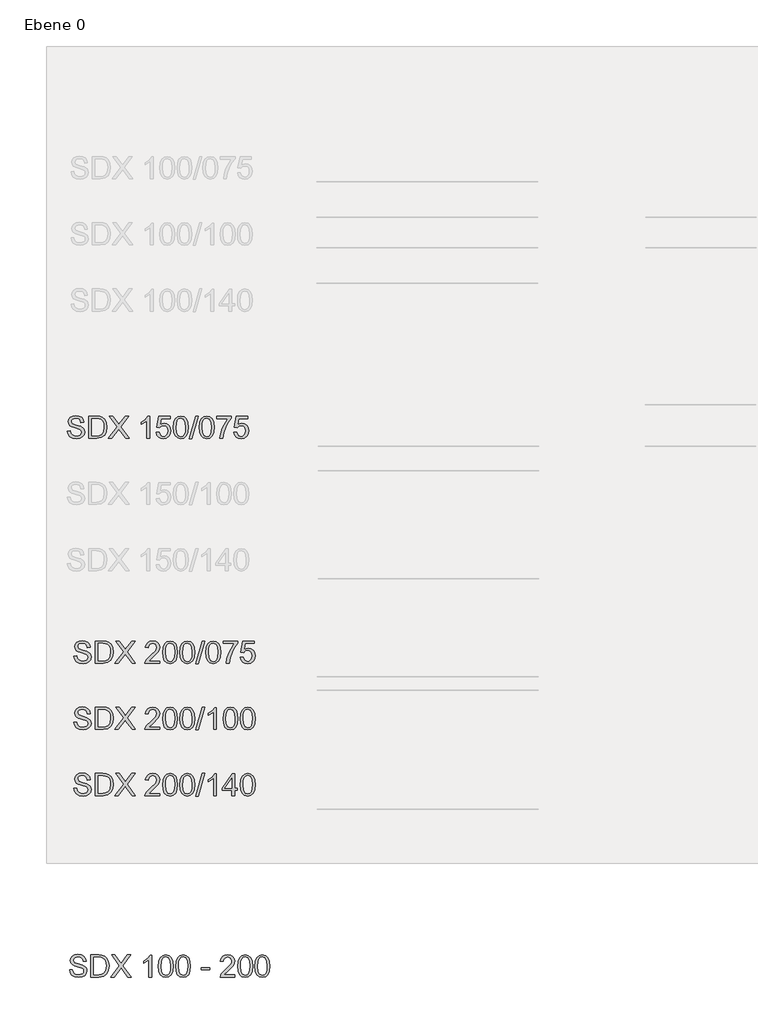
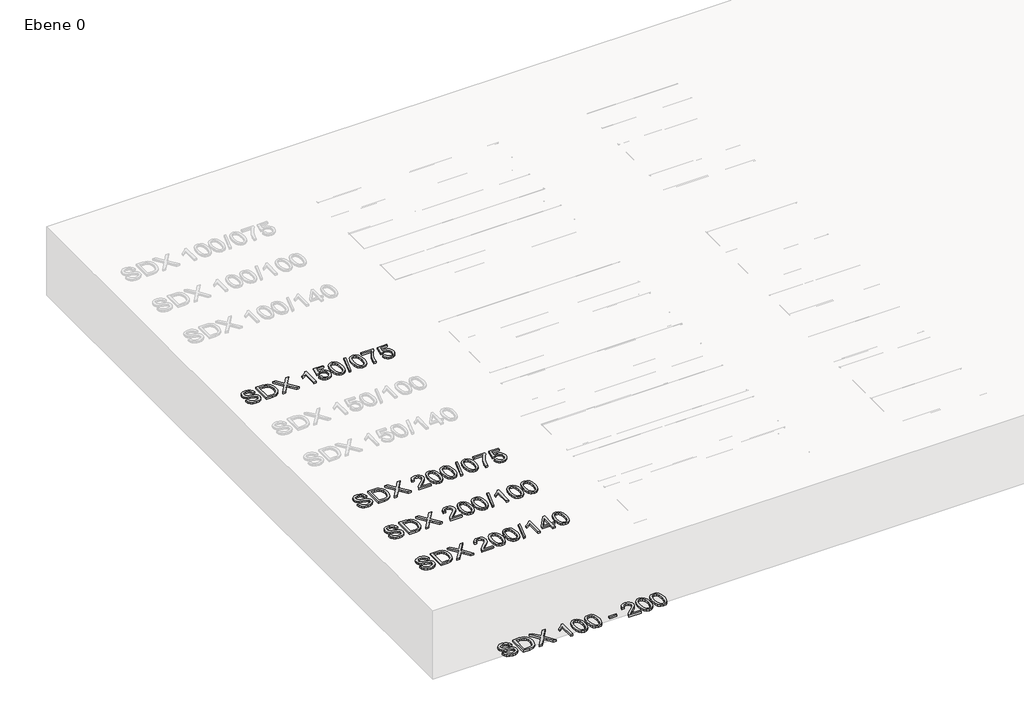
# One storey, part 2 of 8: 5 proxies.
"""IFC4 building model written with IfcOpenShell, lengths in millimetres."""

import ifcopenshell
import ifcopenshell.guid

model = None  # the IFC model being written
_history = None  # IfcOwnerHistory: only IFC2X3 demands one
_inside = {}  # id of a spatial element -> (the spatial element, [elements in it])
_under = {}  # id of a project, library or spatial element -> (it, [spatial elements below it])
_declared = {}  # id of a project -> (the project, [libraries it declares])
_typed = {}  # id of a type object -> (the type object, [elements of that type])
_made_of = {}  # id of a material, layer set ... -> (it, [elements and type objects made of it])


def new_model(schema):
    """Start an empty IFC model of exactly this schema.

    Asked for "IFC4X3", IfcOpenShell would pick the latest addendum, in which some entities
    have other attributes; the version numbers below select the first issue.
    IFC2X3 requires an IfcOwnerHistory on every rooted entity: one is made here for all.
    """
    global model, _history
    if schema == "IFC4X3":
        model = ifcopenshell.file(schema_version=(4, 3, 0, 0))
    else:
        model = ifcopenshell.file(schema=schema)
    _inside.clear()
    _under.clear()
    _declared.clear()
    _typed.clear()
    _made_of.clear()
    _history = None
    if model.schema == "IFC2X3":
        org = make("IfcOrganization", Name="unknown")
        user = make(
            "IfcPersonAndOrganization",
            ThePerson=make("IfcPerson", FamilyName="unknown"),
            TheOrganization=org,
        )
        app = make(
            "IfcApplication",
            ApplicationDeveloper=org,
            Version="unknown",
            ApplicationFullName="unknown",
            ApplicationIdentifier="unknown",
        )
        _history = make(
            "IfcOwnerHistory",
            OwningUser=user,
            OwningApplication=app,
            ChangeAction="ADDED",
            CreationDate=0,
        )
    return model


def make(cls, **values):
    """One entity of the class cls with the attributes given. An attribute that is None is left unset."""
    return model.create_entity(
        cls, **{name: value for name, value in values.items() if value is not None}
    )


def rooted(cls, **values):
    """An entity with a GlobalId (a new one), such as an element, a storey or a relation."""
    return make(cls, GlobalId=ifcopenshell.guid.new(), OwnerHistory=_history, **values)


def si_unit(unit_type, name, prefix=None):
    """IfcSIUnit, for example si_unit("LENGTHUNIT", "METRE", prefix="MILLI")."""
    return make("IfcSIUnit", UnitType=unit_type, Prefix=prefix, Name=name)


def assignment(units):
    """IfcUnitAssignment: the units of a project."""
    return None if units is None else make("IfcUnitAssignment", Units=units)


def point(xyz):
    """IfcCartesianPoint."""
    return None if xyz is None else make("IfcCartesianPoint", Coordinates=xyz)


def direction(xyz):
    """IfcDirection."""
    return None if xyz is None else make("IfcDirection", DirectionRatios=xyz)


def frame(location, z_axis=None, x_axis=None):
    """IfcAxis2Placement3D, a coordinate frame: its origin and axes. An axis left out is left unset."""
    return make(
        "IfcAxis2Placement3D",
        Location=point(location),
        Axis=direction(z_axis),
        RefDirection=direction(x_axis),
    )


def origin():
    """The frame at (0, 0, 0) with its axes left unset."""
    return frame((0.0, 0.0, 0.0))


def origin_with_axes():
    """The frame at (0, 0, 0) with the z axis (0, 0, 1) and the x axis (1, 0, 0) written out."""
    return frame((0.0, 0.0, 0.0), z_axis=(0.0, 0.0, 1.0), x_axis=(1.0, 0.0, 0.0))


def place(relative_to, where):
    """IfcLocalPlacement: puts the frame where relative to a parent placement (None: the world)."""
    return make(
        "IfcLocalPlacement", PlacementRelTo=relative_to, RelativePlacement=where
    )


def context(
    kind, dimensions, precision=None, world=None, true_north=None, identifier=None
):
    """IfcGeometricRepresentationContext, for example the 3D "Model" context."""
    return make(
        "IfcGeometricRepresentationContext",
        ContextIdentifier=identifier,
        ContextType=kind,
        CoordinateSpaceDimension=dimensions,
        Precision=precision,
        WorldCoordinateSystem=world,
        TrueNorth=true_north,
    )


def project(units=None, contexts=None):
    """IfcProject with its units and contexts."""
    return rooted(
        "IfcProject",
        Name="project",
        RepresentationContexts=contexts,
        UnitsInContext=assignment(units),
    )


def spatial(cls, under=None, at=None, **own):
    """A site, building, storey or space (cls), placed at a placement, below another one or the project."""
    s = rooted(cls, ObjectPlacement=at, **own)
    if under is not None:
        _under.setdefault(under.id(), (under, []))[1].append(s)
    return s


def polyline(points):
    """IfcPolyline through the points."""
    return make("IfcPolyline", Points=[point(p) for p in points])


def outline(outer, holes=None, kind="AREA"):
    """IfcArbitraryClosedProfileDef: a profile drawn as a closed curve; with holes, ...WithVoids."""
    if holes is None:
        return make("IfcArbitraryClosedProfileDef", ProfileType=kind, OuterCurve=outer)
    return make(
        "IfcArbitraryProfileDefWithVoids",
        ProfileType=kind,
        OuterCurve=outer,
        InnerCurves=holes,
    )


def extrude(swept, where, along, depth):
    """IfcExtrudedAreaSolid: the profile swept, set in the frame where, extruded along a direction by depth."""
    return make(
        "IfcExtrudedAreaSolid",
        SweptArea=swept,
        Position=where,
        ExtrudedDirection=direction(along),
        Depth=depth,
    )


def shape(context_of_items, identifier, shape_type, items):
    """IfcShapeRepresentation: the items that make up one representation, for example the "Body"."""
    return make(
        "IfcShapeRepresentation",
        ContextOfItems=context_of_items,
        RepresentationIdentifier=identifier,
        RepresentationType=shape_type,
        Items=items,
    )


def made_of(thing, what):
    """Note that an element or type object is made of a material, layer set ...; save() writes the relation."""
    if what is not None:
        _made_of.setdefault(what.id(), (what, []))[1].append(thing)
    return thing


def element(
    cls,
    number,
    at=None,
    inside=None,
    cuts=None,
    type_object=None,
    material=None,
    context=None,
    identifier="Body",
    shape_type=None,
    held_by="IfcProductDefinitionShape",
    body=None,
    shapes=None,
    **own,
):
    """One element of the class cls, such as IfcWall. Its Tag is "e" and its number.

    at: its placement. inside: the storey or other place that contains it. cuts: it is an
    opening in that element (IfcRelVoidsElement). A single representation is given by context,
    identifier, shape_type and body (its items); several are given by shapes. held_by: the class
    of the entity that holds the representations. save() writes the other relations.
    """
    e = rooted(cls, Tag="e%d" % number, ObjectPlacement=at, **own)
    if body is not None:
        shapes = [shape(context, identifier, shape_type, body)]
    if shapes is not None:
        e.Representation = make(held_by, Representations=shapes)
    if inside is not None:
        _inside.setdefault(inside.id(), (inside, []))[1].append(e)
    if cuts is not None:
        rooted(
            "IfcRelVoidsElement", RelatingBuildingElement=cuts, RelatedOpeningElement=e
        )
    if type_object is not None:
        _typed.setdefault(type_object.id(), (type_object, []))[1].append(e)
    return made_of(e, material)


def aggregate(whole, parts):
    """IfcRelAggregates: a whole, such as a stair, and the parts it consists of."""
    return rooted("IfcRelAggregates", RelatingObject=whole, RelatedObjects=parts)


def save(model, path):
    """Write the relations noted so far, then the file.

    IfcRelAggregates (storeys below a building ...), IfcRelContainedInSpatialStructure (elements
    in a storey), IfcRelDefinesByType, IfcRelAssociatesMaterial and IfcRelDeclares: one each for
    every whole, place, type object, material and project.
    """
    for whole, parts in _under.values():
        aggregate(whole, parts)
    for where, things in _inside.values():
        rooted(
            "IfcRelContainedInSpatialStructure",
            RelatedElements=things,
            RelatingStructure=where,
        )
    for kind, things in _typed.values():
        rooted("IfcRelDefinesByType", RelatedObjects=things, RelatingType=kind)
    for what, things in _made_of.values():
        rooted("IfcRelAssociatesMaterial", RelatedObjects=things, RelatingMaterial=what)
    for by, libraries in _declared.values():
        rooted("IfcRelDeclares", RelatingContext=by, RelatedDefinitions=libraries)
    model.write(path)


model = new_model("IFC4")

# Units and contexts
model_context = context("Model", 3, world=origin())
ifc_project = project(units=[si_unit("LENGTHUNIT", "METRE", prefix="MILLI")], contexts=[model_context])

# Site, building, storey
site = spatial("IfcSite", under=ifc_project)
building = spatial("IfcBuilding", under=site)
storey = spatial("IfcBuildingStorey", under=building, Name="Ebene 0", Elevation=0.0)

# Proxies
placement = place(None, origin())
element("IfcBuildingElementProxy", 1, Name="100mm ACO", ObjectType="100mm ACO", at=placement, inside=storey, context=model_context, shape_type="SweptSolid", body=[
    extrude(outline(polyline([(1615.4975214, 503.7064079), (1613.474772, 512.6523443), (1608.9781566, 519.0589299), (1602.007675, 522.9116126), (1592.5633274, 524.1958401), (1576.8470016, 520.1939979), (1572.3067297, 515.279008), (1570.7933057, 508.5377229), (1575.2899211, 498.4239762), (1593.5819781, 492.0937894), (1613.5329807, 486.5785232), (1626.7608882, 477.5998445), (1630.8864238, 470.4765653), (1632.2616023, 461.2723282), (1629.7404417, 449.3650285), (1622.1769599, 439.6623802), (1610.5607033, 433.2121381), (1595.8812184, 431.0620574), (1577.7928915, 433.4486106), (1564.9142356, 440.6082701), (1557.0560727, 451.5660418), (1554.0292248, 465.3469312), (1567.0679544, 466.4528948), (1569.7128083, 455.5133134), (1575.9593202, 448.0153163), (1584.847048, 443.6824126), (1595.4155495, 442.2381113), (1612.6452993, 446.9966655), (1617.5784793, 452.6028827), (1619.2228727, 459.9044257), (1617.5239088, 467.2750915), (1612.427017, 472.3319649), (1589.0126019, 479.8263239), (1574.7187491, 484.19197), (1565.0743093, 490.1001443), (1559.5845094, 497.7727673), (1557.7545761, 507.4317592), (1560.0501783, 518.4913959), (1566.936985, 527.4555225), (1577.7819774, 533.3928012), (1591.9521369, 535.371894), (1606.5988795, 533.378249), (1618.0587004, 527.3973139), (1625.6112681, 517.7492361), (1628.536251, 504.754163), (1615.4975214, 503.7064079)])), origin_with_axes(), (0.0, 0.0, 1.0), 10.0),
    extrude(outline(polyline([(1650.8883588, 533.5092184), (1685.115024, 533.5092184), (1700.5985153, 532.5778806), (1712.9969501, 528.0521608), (1723.3435313, 518.1421442), (1730.3140129, 503.6336471), (1732.8460876, 483.7699576), (1730.2412521, 463.5169979), (1722.4267456, 447.2295), (1708.2602242, 436.5009248), (1686.5993436, 432.9247331), (1650.8883588, 432.9247331), (1650.8883588, 533.5092184)]), holes=[polyline([(1663.9270884, 444.100787), (1685.3769627, 444.100787), (1697.0914463, 444.9448119), (1707.5544447, 449.499636), (1716.3293933, 461.6652363), (1719.807358, 484.0610006), (1718.4685599, 498.4385283), (1713.549932, 510.6186808), (1705.3279652, 518.6660218), (1696.2765257, 521.7801826), (1684.9695024, 522.3331645), (1663.9270884, 522.3331645), (1663.9270884, 444.100787)])]), origin_with_axes(), (0.0, 0.0, 1.0), 10.0),
    extrude(outline(polyline([(1833.4305729, 432.9247331), (1817.7142471, 432.9247331), (1796.671833, 461.6215799), (1787.5621849, 474.427475), (1756.1877419, 432.9247331), (1740.2967902, 432.9247331), (1779.4711876, 485.13786), (1744.0221415, 533.5092184), (1759.7384673, 533.5092184), (1782.1487838, 502.9205916), (1787.3875591, 495.7318278), (1815.7060499, 533.5092184), (1831.5678973, 533.5092184), (1795.245722, 485.0505471), (1833.4305729, 432.9247331)])), origin_with_axes(), (0.0, 0.0, 1.0), 10.0),
    extrude(outline(polyline([(1926.5643556, 432.9247331), (1913.525626, 432.9247331), (1913.525626, 511.1571105), (1889.3108425, 496.2557053), (1889.3108425, 505.5690836), (1907.6902125, 517.3563279), (1919.113653, 531.6465427), (1926.5643556, 531.6465427), (1926.5643556, 432.9247331)])), origin_with_axes(), (0.0, 0.0, 1.0), 10.0),
    extrude(outline(polyline([(1989.8662235, 533.5092184), (2004.5475274, 530.3041066), (2015.0341731, 520.6887711), (2021.3261605, 504.663212), (2023.4234896, 482.2274293), (2021.2552187, 459.6242968), (2014.7504061, 443.6787745), (2004.1928187, 434.2162367), (1989.8662235, 431.0620574), (1975.2103859, 434.2598931), (1964.7419304, 443.8534004), (1958.4608572, 459.8425791), (1956.3671661, 482.2274293), (1958.535437, 504.8269237), (1965.0402496, 520.8197405), (1975.5832848, 530.3368489), (1989.8662235, 533.5092184)]), holes=[polyline([(1989.8953278, 440.3754357), (1998.7866937, 442.8238355), (2005.2041934, 450.169035), (2009.0896184, 463.0804332), (2010.38476, 482.2274293), (2008.1146241, 506.5877343), (2001.2605598, 519.830194), (1989.7498063, 524.1958401), (1980.8766307, 521.7037838), (1974.5137015, 514.2276149), (1970.6828471, 501.2434559), (1969.4058957, 482.2274293), (1971.7196881, 458.0271979), (1978.5737524, 444.7410817), (1989.8953278, 440.3754357)])]), origin_with_axes(), (0.0, 0.0, 1.0), 10.0),
    extrude(outline(polyline([(2068.098601, 533.5092184), (2082.7799049, 530.3041066), (2093.2665506, 520.6887711), (2099.558538, 504.663212), (2101.6558671, 482.2274293), (2099.4875962, 459.6242968), (2092.9827836, 443.6787745), (2082.4251962, 434.2162367), (2068.098601, 431.0620574), (2053.4427634, 434.2598931), (2042.9743079, 443.8534004), (2036.6932346, 459.8425791), (2034.5995435, 482.2274293), (2036.7678144, 504.8269237), (2043.2726271, 520.8197405), (2053.8156623, 530.3368489), (2068.098601, 533.5092184)]), holes=[polyline([(2068.1277053, 440.3754357), (2077.0190711, 442.8238355), (2083.4365708, 450.169035), (2087.3219958, 463.0804332), (2088.6171375, 482.2274293), (2086.3470016, 506.5877343), (2079.4929372, 519.830194), (2067.9821838, 524.1958401), (2059.1090082, 521.7037838), (2052.746079, 514.2276149), (2048.9152246, 501.2434559), (2047.6382731, 482.2274293), (2049.9520655, 458.0271979), (2056.8061299, 444.7410817), (2068.1277053, 440.3754357)])]), origin_with_axes(), (0.0, 0.0, 1.0), 10.0),
    extrude(outline(polyline([(2189.2016228, 466.4528948), (2150.0854341, 466.4528948), (2150.0854341, 475.7662731), (2189.2016228, 475.7662731), (2189.2016228, 466.4528948)])), origin_with_axes(), (0.0, 0.0, 1.0), 10.0),
    extrude(outline(polyline([(2302.8248377, 432.9247331), (2235.7685142, 432.9247331), (2241.7640014, 448.6119546), (2263.9123791, 470.352872), (2281.7824237, 487.7863519), (2287.785187, 496.8668957), (2289.7861082, 506.0056482), (2284.3290506, 519.0443778), (2270.5481612, 524.1958401), (2256.4325722, 519.0589299), (2252.1396869, 512.6523443), (2250.6699194, 503.7064079), (2237.6311898, 505.1034147), (2240.7890072, 517.2762911), (2247.8759059, 526.2040373), (2258.1497263, 531.6829231), (2270.8683085, 533.5092184), (2284.3035843, 531.4100702), (2294.3991408, 525.1126258), (2300.7184135, 515.846542), (2302.8248377, 504.8414759), (2301.0640272, 494.8805268), (2295.7815954, 484.7886083), (2268.1907123, 457.1104123), (2252.5325951, 442.2381113), (2302.8248377, 442.2381113), (2302.8248377, 432.9247331)])), origin_with_axes(), (0.0, 0.0, 1.0), 10.0),
    extrude(outline(polyline([(2349.3626248, 533.5092184), (2364.0439287, 530.3041066), (2374.5305743, 520.6887711), (2380.8225617, 504.663212), (2382.9198909, 482.2274293), (2380.75162, 459.6242968), (2374.2468073, 443.6787745), (2363.6892199, 434.2162367), (2349.3626248, 431.0620574), (2334.7067871, 434.2598931), (2324.2383317, 443.8534004), (2317.9572584, 459.8425791), (2315.8635673, 482.2274293), (2318.0318382, 504.8269237), (2324.5366508, 520.8197405), (2335.0796861, 530.3368489), (2349.3626248, 533.5092184)]), holes=[polyline([(2349.3917291, 440.3754357), (2358.2830949, 442.8238355), (2364.7005946, 450.169035), (2368.5860196, 463.0804332), (2369.8811613, 482.2274293), (2367.6110253, 506.5877343), (2360.756961, 519.830194), (2349.2462075, 524.1958401), (2340.3730319, 521.7037838), (2334.0101028, 514.2276149), (2330.1792484, 501.2434559), (2328.9022969, 482.2274293), (2331.2160893, 458.0271979), (2338.0701536, 444.7410817), (2349.3917291, 440.3754357)])]), origin_with_axes(), (0.0, 0.0, 1.0), 10.0),
    extrude(outline(polyline([(2427.5950022, 533.5092184), (2442.2763062, 530.3041066), (2452.7629518, 520.6887711), (2459.0549392, 504.663212), (2461.1522683, 482.2274293), (2458.9839974, 459.6242968), (2452.4791848, 443.6787745), (2441.9215974, 434.2162367), (2427.5950022, 431.0620574), (2412.9391646, 434.2598931), (2402.4707091, 443.8534004), (2396.1896359, 459.8425791), (2394.0959448, 482.2274293), (2396.2642157, 504.8269237), (2402.7690283, 520.8197405), (2413.3120635, 530.3368489), (2427.5950022, 533.5092184)]), holes=[polyline([(2427.6241066, 440.3754357), (2436.5154724, 442.8238355), (2442.9329721, 450.169035), (2446.8183971, 463.0804332), (2448.1135387, 482.2274293), (2445.8434028, 506.5877343), (2438.9893385, 519.830194), (2427.478585, 524.1958401), (2418.6054094, 521.7037838), (2412.2424803, 514.2276149), (2408.4116258, 501.2434559), (2407.1346744, 482.2274293), (2409.4484668, 458.0271979), (2416.3025311, 444.7410817), (2427.6241066, 440.3754357)])]), origin_with_axes(), (0.0, 0.0, 1.0), 10.0),
])
element("IfcBuildingElementProxy", 2, Name="100mm ACO", ObjectType="100mm ACO", at=placement, inside=storey, context=model_context, shape_type="SweptSolid", body=[
    extrude(outline(polyline([(1605.5146668, 2944.899005), (1603.4919175, 2953.8449414), (1598.995302, 2960.251527), (1592.0248205, 2964.1042096), (1582.5804728, 2965.3884372), (1566.864147, 2961.3865949), (1562.3238751, 2956.4716051), (1560.8104511, 2949.73032), (1565.3070666, 2939.6165732), (1583.5991236, 2933.2863864), (1603.5501261, 2927.7711203), (1616.7780337, 2918.7924415), (1620.9035692, 2911.6691624), (1622.2787477, 2902.4649252), (1619.7575871, 2890.5576256), (1612.1941053, 2880.8549772), (1600.5778487, 2874.4047352), (1585.8983638, 2872.2546545), (1567.810037, 2874.6412077), (1554.9313811, 2881.8008672), (1547.0732182, 2892.7586388), (1544.0463702, 2906.5395282), (1557.0850998, 2907.6454919), (1559.7299537, 2896.7059105), (1565.9764656, 2889.2079134), (1574.8641934, 2884.8750096), (1585.4326949, 2883.4307084), (1602.6624447, 2888.1892626), (1607.5956248, 2893.7954798), (1609.2400181, 2901.0970228), (1607.5410542, 2908.4676886), (1602.4441624, 2913.5245619), (1579.0297474, 2921.018921), (1564.7358945, 2925.3845671), (1555.0914548, 2931.2927414), (1549.6016548, 2938.9653644), (1547.7717215, 2948.6243563), (1550.0673238, 2959.683993), (1556.9541304, 2968.6481196), (1567.7991229, 2974.5853982), (1581.9692824, 2976.5644911), (1596.6160249, 2974.5708461), (1608.0758458, 2968.589911), (1615.6284135, 2958.9418332), (1618.5533964, 2945.94676), (1605.5146668, 2944.899005)])), origin_with_axes(), (0.0, 0.0, 1.0), 10.0),
    extrude(outline(polyline([(1640.9055042, 2974.7018154), (1675.1321694, 2974.7018154), (1690.6156608, 2973.7704776), (1703.0140956, 2969.2447579), (1713.3606768, 2959.3347413), (1720.3311583, 2944.8262442), (1722.863233, 2924.9625546), (1720.2583975, 2904.7095949), (1712.4438911, 2888.4220971), (1698.2773696, 2877.6935219), (1676.616489, 2874.1173301), (1640.9055042, 2874.1173301), (1640.9055042, 2974.7018154)]), holes=[polyline([(1653.9442338, 2885.293384), (1675.3941081, 2885.293384), (1687.1085918, 2886.137409), (1697.5715902, 2890.692233), (1706.3465387, 2902.8578334), (1709.8245034, 2925.2535977), (1708.4857053, 2939.6311254), (1703.5670774, 2951.8112779), (1695.3451107, 2959.8586188), (1686.2936712, 2962.9727797), (1674.9866478, 2963.5257615), (1653.9442338, 2963.5257615), (1653.9442338, 2885.293384)])]), origin_with_axes(), (0.0, 0.0, 1.0), 10.0),
    extrude(outline(polyline([(1823.4477183, 2874.1173301), (1807.7313925, 2874.1173301), (1786.6889785, 2902.8141769), (1777.5793304, 2915.620072), (1746.2048873, 2874.1173301), (1730.3139356, 2874.1173301), (1769.488333, 2926.3304571), (1734.0392869, 2974.7018154), (1749.7556128, 2974.7018154), (1772.1659292, 2944.1131887), (1777.4047045, 2936.9244248), (1805.7231953, 2974.7018154), (1821.5850427, 2974.7018154), (1785.2628674, 2926.2431441), (1823.4477183, 2874.1173301)])), origin_with_axes(), (0.0, 0.0, 1.0), 10.0),
    extrude(outline(polyline([(1916.581501, 2874.1173301), (1903.5427715, 2874.1173301), (1903.5427715, 2952.3497076), (1879.327988, 2937.4483024), (1879.327988, 2946.7616806), (1897.7073579, 2958.548925), (1909.1307984, 2972.8391398), (1916.581501, 2972.8391398), (1916.581501, 2874.1173301)])), origin_with_axes(), (0.0, 0.0, 1.0), 10.0),
    extrude(outline(polyline([(1963.963313, 2936.6042775), (1982.7355911, 2941.1736537), (1994.2863629, 2938.9362601), (2004.2582262, 2932.2240792), (2011.1450328, 2921.7865471), (2013.4406351, 2908.3730996), (2011.0577199, 2894.4539647), (2003.9089745, 2882.7904136), (1992.8966323, 2874.8885943), (1978.9229268, 2872.2546545), (1967.1138542, 2874.0736737), (1957.0073836, 2879.5307312), (1949.7240307, 2888.5530664), (1946.3843115, 2901.0679185), (1959.4230411, 2902.0574649), (1966.2334489, 2886.6467343), (1979.0684484, 2881.5680327), (1987.6833233, 2883.4525366), (1994.4937311, 2889.1060483), (1998.9248619, 2897.517193), (2000.4019055, 2907.6745962), (1998.9212239, 2917.70103), (1994.479179, 2925.3700149), (1987.7087895, 2930.2377103), (1979.2430742, 2931.8602754), (1968.8455605, 2929.4955504), (1961.1692995, 2922.4013756), (1948.2469872, 2923.9147996), (1957.99693, 2972.8391398), (2009.7152837, 2972.8391398), (2009.7152837, 2963.5257615), (1969.3476098, 2963.5257615), (1963.963313, 2936.6042775)])), origin_with_axes(), (0.0, 0.0, 1.0), 10.0),
    extrude(outline(polyline([(2058.1157464, 2974.7018154), (2072.7970504, 2971.4967036), (2083.283696, 2961.8813682), (2089.5756834, 2945.8558091), (2091.6730125, 2923.4200263), (2089.5047416, 2900.8168938), (2082.999929, 2884.8713716), (2072.4423416, 2875.4088338), (2058.1157464, 2872.2546545), (2043.4599088, 2875.4524902), (2032.9914533, 2885.0459974), (2026.7103801, 2901.0351761), (2024.616689, 2923.4200263), (2026.7849599, 2946.0195208), (2033.2897725, 2962.0123376), (2043.8328077, 2971.529446), (2058.1157464, 2974.7018154)]), holes=[polyline([(2058.1448507, 2881.5680327), (2067.0362166, 2884.0164326), (2073.4537163, 2891.3616321), (2077.3391413, 2904.2730303), (2078.6342829, 2923.4200263), (2076.364147, 2947.7803314), (2069.5100827, 2961.0227911), (2057.9993292, 2965.3884372), (2049.1261536, 2962.8963809), (2042.7632245, 2955.420212), (2038.93237, 2942.436053), (2037.6554186, 2923.4200263), (2039.969211, 2899.219795), (2046.8232753, 2885.9336788), (2058.1448507, 2881.5680327)])]), origin_with_axes(), (0.0, 0.0, 1.0), 10.0),
    extrude(outline(polyline([(2136.3772282, 2974.7018154), (2106.8654608, 2872.2546545), (2097.2610395, 2872.2546545), (2126.7728069, 2974.7018154), (2136.3772282, 2974.7018154)])), origin_with_axes(), (0.0, 0.0, 1.0), 10.0),
    extrude(outline(polyline([(2175.4643126, 2974.7018154), (2190.1456166, 2971.4967036), (2200.6322622, 2961.8813682), (2206.9242496, 2945.8558091), (2209.0215787, 2923.4200263), (2206.8533079, 2900.8168938), (2200.3484952, 2884.8713716), (2189.7909078, 2875.4088338), (2175.4643126, 2872.2546545), (2160.808475, 2875.4524902), (2150.3400195, 2885.0459974), (2144.0589463, 2901.0351761), (2141.9652552, 2923.4200263), (2144.1335261, 2946.0195208), (2150.6383387, 2962.0123376), (2161.1813739, 2971.529446), (2175.4643126, 2974.7018154)]), holes=[polyline([(2175.493417, 2881.5680327), (2184.3847828, 2884.0164326), (2190.8022825, 2891.3616321), (2194.6877075, 2904.2730303), (2195.9828492, 2923.4200263), (2193.7127132, 2947.7803314), (2186.8586489, 2961.0227911), (2175.3478954, 2965.3884372), (2166.4747198, 2962.8963809), (2160.1117907, 2955.420212), (2156.2809362, 2942.436053), (2155.0039848, 2923.4200263), (2157.3177772, 2899.219795), (2164.1718415, 2885.9336788), (2175.493417, 2881.5680327)])]), origin_with_axes(), (0.0, 0.0, 1.0), 10.0),
    extrude(outline(polyline([(2287.2539562, 2965.3884372), (2273.1420053, 2945.7248397), (2261.074632, 2923.289057), (2252.3178736, 2899.0851876), (2248.1377675, 2874.1173301), (2235.0990379, 2874.1173301), (2238.0203827, 2895.4726155), (2245.7948707, 2918.7342329), (2270.9846485, 2963.5257615), (2220.1976327, 2963.5257615), (2220.1976327, 2972.8391398), (2287.2539562, 2972.8391398), (2287.2539562, 2965.3884372)])), origin_with_axes(), (0.0, 0.0, 1.0), 10.0),
    extrude(outline(polyline([(2316.0090116, 2936.6042775), (2334.7812897, 2941.1736537), (2346.3320616, 2938.9362601), (2356.3039248, 2932.2240792), (2363.1907314, 2921.7865471), (2365.4863337, 2908.3730996), (2363.1034185, 2894.4539647), (2355.9546731, 2882.7904136), (2344.9423309, 2874.8885943), (2330.9686255, 2872.2546545), (2319.1595529, 2874.0736737), (2309.0530822, 2879.5307312), (2301.7697294, 2888.5530664), (2298.4300101, 2901.0679185), (2311.4687397, 2902.0574649), (2318.2791476, 2886.6467343), (2331.114147, 2881.5680327), (2339.7290219, 2883.4525366), (2346.5394298, 2889.1060483), (2350.9705605, 2897.517193), (2352.4476041, 2907.6745962), (2350.9669225, 2917.70103), (2346.5248776, 2925.3700149), (2339.7544882, 2930.2377103), (2331.2887728, 2931.8602754), (2320.8912591, 2929.4955504), (2313.2149981, 2922.4013756), (2300.2926858, 2923.9147996), (2310.0426287, 2972.8391398), (2361.7609824, 2972.8391398), (2361.7609824, 2963.5257615), (2321.3933084, 2963.5257615), (2316.0090116, 2936.6042775)])), origin_with_axes(), (0.0, 0.0, 1.0), 10.0),
])
element("IfcBuildingElementProxy", 3, Name="100mm ACO", ObjectType="100mm ACO", at=placement, inside=storey, context=model_context, shape_type="SweptSolid", body=[
    extrude(outline(polyline([(1634.7664344, 1925.6824159), (1632.743685, 1934.6283523), (1628.2470696, 1941.0349379), (1621.276588, 1944.8876206), (1611.8322404, 1946.1718481), (1596.1159146, 1942.1700059), (1591.5756426, 1937.255016), (1590.0622187, 1930.5137309), (1594.5588341, 1920.3999842), (1612.8508911, 1914.0697974), (1632.8018936, 1908.5545312), (1646.0298012, 1899.5758525), (1650.1553368, 1892.4525733), (1651.5305153, 1883.2483362), (1649.0093547, 1871.3410365), (1641.4458729, 1861.6383882), (1629.8296163, 1855.1881461), (1615.1501314, 1853.0380654), (1597.0618045, 1855.4246186), (1584.1831486, 1862.5842781), (1576.3249857, 1873.5420498), (1573.2981378, 1887.3229392), (1586.3368674, 1888.4289028), (1588.9817213, 1877.4893214), (1595.2282332, 1869.9913243), (1604.115961, 1865.6584206), (1614.6844625, 1864.2141193), (1631.9142123, 1868.9726735), (1636.8473923, 1874.5788907), (1638.4917857, 1881.8804337), (1636.7928218, 1889.2510995), (1631.69593, 1894.3079729), (1608.2815149, 1901.8023319), (1593.9876621, 1906.167978), (1584.3432223, 1912.0761524), (1578.8534224, 1919.7487753), (1577.0234891, 1929.4077672), (1579.3190913, 1940.4674039), (1586.205898, 1949.4315305), (1597.0508904, 1955.3688092), (1611.2210499, 1957.347902), (1625.8677925, 1955.354257), (1637.3276134, 1949.3733219), (1644.8801811, 1939.7252441), (1647.805164, 1926.730171), (1634.7664344, 1925.6824159)])), origin_with_axes(), (0.0, 0.0, 1.0), 10.0),
    extrude(outline(polyline([(1670.1572718, 1955.4852264), (1704.3839369, 1955.4852264), (1719.8674283, 1954.5538886), (1732.2658631, 1950.0281688), (1742.6124443, 1940.1181522), (1749.5829259, 1925.6096552), (1752.1150006, 1905.7459656), (1749.5101651, 1885.4930059), (1741.6956586, 1869.205508), (1727.5291372, 1858.4769328), (1705.8682566, 1854.9007411), (1670.1572718, 1854.9007411), (1670.1572718, 1955.4852264)]), holes=[polyline([(1683.1960014, 1866.076795), (1704.6458757, 1866.076795), (1716.3603593, 1866.9208199), (1726.8233577, 1871.475644), (1735.5983063, 1883.6412443), (1739.076271, 1906.0370086), (1737.7374729, 1920.4145363), (1732.818845, 1932.5946889), (1724.5968782, 1940.6420298), (1715.5454387, 1943.7561906), (1704.2384154, 1944.3091725), (1683.1960014, 1944.3091725), (1683.1960014, 1866.076795)])]), origin_with_axes(), (0.0, 0.0, 1.0), 10.0),
    extrude(outline(polyline([(1852.6994859, 1854.9007411), (1836.9831601, 1854.9007411), (1815.940746, 1883.5975879), (1806.8310979, 1896.403483), (1775.4566549, 1854.9007411), (1759.5657032, 1854.9007411), (1798.7401005, 1907.113868), (1763.2910545, 1955.4852264), (1779.0073803, 1955.4852264), (1801.4176968, 1924.8965996), (1806.6564721, 1917.7078358), (1834.9749629, 1955.4852264), (1850.8368102, 1955.4852264), (1814.514635, 1907.0265551), (1852.6994859, 1854.9007411)])), origin_with_axes(), (0.0, 0.0, 1.0), 10.0),
    extrude(outline(polyline([(1962.5973495, 1854.9007411), (1895.5410259, 1854.9007411), (1901.5365132, 1870.5879626), (1923.6848909, 1892.32888), (1941.5549355, 1909.7623599), (1947.5576988, 1918.8429038), (1949.5586199, 1927.9816562), (1944.1015623, 1941.0203858), (1930.3206729, 1946.1718481), (1916.205084, 1941.0349379), (1911.9121987, 1934.6283523), (1910.4424312, 1925.6824159), (1897.4037016, 1927.0794227), (1900.5615189, 1939.2522991), (1907.6484177, 1948.1800453), (1917.9222381, 1953.6589311), (1930.6408203, 1955.4852264), (1944.0760961, 1953.3860782), (1954.1716526, 1947.0886338), (1960.4909253, 1937.82255), (1962.5973495, 1926.8174839), (1960.8365389, 1916.8565348), (1955.5541072, 1906.7646163), (1927.963224, 1879.0864203), (1912.3051068, 1864.2141193), (1962.5973495, 1864.2141193), (1962.5973495, 1854.9007411)])), origin_with_axes(), (0.0, 0.0, 1.0), 10.0),
    extrude(outline(polyline([(2009.1351365, 1955.4852264), (2023.8164404, 1952.2801146), (2034.3030861, 1942.6647791), (2040.5950735, 1926.63922), (2042.6924026, 1904.2034373), (2040.5241317, 1881.6003048), (2034.0193191, 1865.6547825), (2023.4617317, 1856.1922447), (2009.1351365, 1853.0380654), (1994.4792989, 1856.2359012), (1984.0108434, 1865.8294084), (1977.7297702, 1881.8185871), (1975.6360791, 1904.2034373), (1977.8043499, 1926.8029317), (1984.3091626, 1942.7957485), (1994.8521978, 1952.3128569), (2009.1351365, 1955.4852264)]), holes=[polyline([(2009.1642408, 1862.3514437), (2018.0556067, 1864.7998435), (2024.4731064, 1872.145043), (2028.3585314, 1885.0564413), (2029.653673, 1904.2034373), (2027.3835371, 1928.5637423), (2020.5294728, 1941.806202), (2009.0187193, 1946.1718481), (2000.1455437, 1943.6797918), (1993.7826145, 1936.2036229), (1989.9517601, 1923.2194639), (1988.6748086, 1904.2034373), (1990.9886011, 1880.0032059), (1997.8426654, 1866.7170897), (2009.1642408, 1862.3514437)])]), origin_with_axes(), (0.0, 0.0, 1.0), 10.0),
    extrude(outline(polyline([(2087.367514, 1955.4852264), (2102.0488179, 1952.2801146), (2112.5354636, 1942.6647791), (2118.827451, 1926.63922), (2120.9247801, 1904.2034373), (2118.7565092, 1881.6003048), (2112.2516966, 1865.6547825), (2101.6941092, 1856.1922447), (2087.367514, 1853.0380654), (2072.7116764, 1856.2359012), (2062.2432209, 1865.8294084), (2055.9621476, 1881.8185871), (2053.8684565, 1904.2034373), (2056.0367274, 1926.8029317), (2062.5415401, 1942.7957485), (2073.0845753, 1952.3128569), (2087.367514, 1955.4852264)]), holes=[polyline([(2087.3966183, 1862.3514437), (2096.2879841, 1864.7998435), (2102.7054838, 1872.145043), (2106.5909088, 1885.0564413), (2107.8860505, 1904.2034373), (2105.6159146, 1928.5637423), (2098.7618502, 1941.806202), (2087.2510968, 1946.1718481), (2078.3779212, 1943.6797918), (2072.014992, 1936.2036229), (2068.1841376, 1923.2194639), (2066.9071861, 1904.2034373), (2069.2209785, 1880.0032059), (2076.0750429, 1866.7170897), (2087.3966183, 1862.3514437)])]), origin_with_axes(), (0.0, 0.0, 1.0), 10.0),
    extrude(outline(polyline([(2165.6289958, 1955.4852264), (2136.1172284, 1853.0380654), (2126.512807, 1853.0380654), (2156.0245744, 1955.4852264), (2165.6289958, 1955.4852264)])), origin_with_axes(), (0.0, 0.0, 1.0), 10.0),
    extrude(outline(polyline([(2204.7160802, 1955.4852264), (2219.3973841, 1952.2801146), (2229.8840298, 1942.6647791), (2236.1760172, 1926.63922), (2238.2733463, 1904.2034373), (2236.1050754, 1881.6003048), (2229.6002628, 1865.6547825), (2219.0426754, 1856.1922447), (2204.7160802, 1853.0380654), (2190.0602426, 1856.2359012), (2179.5917871, 1865.8294084), (2173.3107138, 1881.8185871), (2171.2170227, 1904.2034373), (2173.3852936, 1926.8029317), (2179.8901063, 1942.7957485), (2190.4331415, 1952.3128569), (2204.7160802, 1955.4852264)]), holes=[polyline([(2204.7451845, 1862.3514437), (2213.6365503, 1864.7998435), (2220.05405, 1872.145043), (2223.939475, 1885.0564413), (2225.2346167, 1904.2034373), (2222.9644808, 1928.5637423), (2216.1104164, 1941.806202), (2204.599663, 1946.1718481), (2195.7264874, 1943.6797918), (2189.3635582, 1936.2036229), (2185.5327038, 1923.2194639), (2184.2557523, 1904.2034373), (2186.5695447, 1880.0032059), (2193.4236091, 1866.7170897), (2204.7451845, 1862.3514437)])]), origin_with_axes(), (0.0, 0.0, 1.0), 10.0),
    extrude(outline(polyline([(2316.5057238, 1946.1718481), (2302.3937729, 1926.5082506), (2290.3263995, 1904.0724679), (2281.5696411, 1879.8685985), (2277.389535, 1854.9007411), (2264.3508054, 1854.9007411), (2267.2721503, 1876.2560264), (2275.0466383, 1899.5176438), (2300.2364161, 1944.3091725), (2249.4494002, 1944.3091725), (2249.4494002, 1953.6225507), (2316.5057238, 1953.6225507), (2316.5057238, 1946.1718481)])), origin_with_axes(), (0.0, 0.0, 1.0), 10.0),
    extrude(outline(polyline([(2345.2607792, 1917.3876884), (2364.0330572, 1921.9570646), (2375.5838291, 1919.719671), (2385.5556923, 1913.0074902), (2392.442499, 1902.569958), (2394.7381012, 1889.1565105), (2392.3551861, 1875.2373756), (2385.2064407, 1863.5738246), (2374.1940985, 1855.6720052), (2360.220393, 1853.0380654), (2348.4113204, 1854.8570846), (2338.3048498, 1860.3141422), (2331.0214969, 1869.3364774), (2327.6817777, 1881.8513294), (2340.7205073, 1882.8408759), (2347.5309151, 1867.4301453), (2360.3659146, 1862.3514437), (2368.9807895, 1864.2359476), (2375.7911973, 1869.8894592), (2380.2223281, 1878.300604), (2381.6993717, 1888.4580071), (2380.21869, 1898.4844409), (2375.7766452, 1906.1534259), (2369.0062557, 1911.0211212), (2360.5405404, 1912.6436863), (2350.1430267, 1910.2789614), (2342.4667657, 1903.1847865), (2329.5444533, 1904.6982105), (2339.2943962, 1953.6225507), (2391.0127499, 1953.6225507), (2391.0127499, 1944.3091725), (2350.645076, 1944.3091725), (2345.2607792, 1917.3876884)])), origin_with_axes(), (0.0, 0.0, 1.0), 10.0),
])
element("IfcBuildingElementProxy", 4, Name="100mm ACO", ObjectType="100mm ACO", at=placement, inside=storey, context=model_context, shape_type="SweptSolid", body=[
    extrude(outline(polyline([(1634.7664344, 1625.6824159), (1632.743685, 1634.6283523), (1628.2470696, 1641.0349379), (1621.276588, 1644.8876206), (1611.8322404, 1646.1718481), (1596.1159146, 1642.1700059), (1591.5756426, 1637.255016), (1590.0622187, 1630.5137309), (1594.5588341, 1620.3999842), (1612.8508911, 1614.0697974), (1632.8018936, 1608.5545312), (1646.0298012, 1599.5758525), (1650.1553368, 1592.4525733), (1651.5305153, 1583.2483362), (1649.0093547, 1571.3410365), (1641.4458729, 1561.6383882), (1629.8296163, 1555.1881461), (1615.1501314, 1553.0380654), (1597.0618045, 1555.4246186), (1584.1831486, 1562.5842781), (1576.3249857, 1573.5420498), (1573.2981378, 1587.3229392), (1586.3368674, 1588.4289028), (1588.9817213, 1577.4893214), (1595.2282332, 1569.9913243), (1604.115961, 1565.6584206), (1614.6844625, 1564.2141193), (1631.9142123, 1568.9726735), (1636.8473923, 1574.5788907), (1638.4917857, 1581.8804337), (1636.7928218, 1589.2510995), (1631.69593, 1594.3079729), (1608.2815149, 1601.8023319), (1593.9876621, 1606.167978), (1584.3432223, 1612.0761524), (1578.8534224, 1619.7487753), (1577.0234891, 1629.4077672), (1579.3190913, 1640.4674039), (1586.205898, 1649.4315305), (1597.0508904, 1655.3688092), (1611.2210499, 1657.347902), (1625.8677925, 1655.354257), (1637.3276134, 1649.3733219), (1644.8801811, 1639.7252441), (1647.805164, 1626.730171), (1634.7664344, 1625.6824159)])), origin_with_axes(), (0.0, 0.0, 1.0), 10.0),
    extrude(outline(polyline([(1670.1572718, 1655.4852264), (1704.3839369, 1655.4852264), (1719.8674283, 1654.5538886), (1732.2658631, 1650.0281688), (1742.6124443, 1640.1181522), (1749.5829259, 1625.6096552), (1752.1150006, 1605.7459656), (1749.5101651, 1585.4930059), (1741.6956586, 1569.205508), (1727.5291372, 1558.4769328), (1705.8682566, 1554.9007411), (1670.1572718, 1554.9007411), (1670.1572718, 1655.4852264)]), holes=[polyline([(1683.1960014, 1566.076795), (1704.6458757, 1566.076795), (1716.3603593, 1566.9208199), (1726.8233577, 1571.475644), (1735.5983063, 1583.6412443), (1739.076271, 1606.0370086), (1737.7374729, 1620.4145363), (1732.818845, 1632.5946889), (1724.5968782, 1640.6420298), (1715.5454387, 1643.7561906), (1704.2384154, 1644.3091725), (1683.1960014, 1644.3091725), (1683.1960014, 1566.076795)])]), origin_with_axes(), (0.0, 0.0, 1.0), 10.0),
    extrude(outline(polyline([(1852.6994859, 1554.9007411), (1836.9831601, 1554.9007411), (1815.940746, 1583.5975879), (1806.8310979, 1596.403483), (1775.4566549, 1554.9007411), (1759.5657032, 1554.9007411), (1798.7401005, 1607.113868), (1763.2910545, 1655.4852264), (1779.0073803, 1655.4852264), (1801.4176968, 1624.8965996), (1806.6564721, 1617.7078358), (1834.9749629, 1655.4852264), (1850.8368102, 1655.4852264), (1814.514635, 1607.0265551), (1852.6994859, 1554.9007411)])), origin_with_axes(), (0.0, 0.0, 1.0), 10.0),
    extrude(outline(polyline([(1962.5973495, 1554.9007411), (1895.5410259, 1554.9007411), (1901.5365132, 1570.5879626), (1923.6848909, 1592.32888), (1941.5549355, 1609.7623599), (1947.5576988, 1618.8429038), (1949.5586199, 1627.9816562), (1944.1015623, 1641.0203858), (1930.3206729, 1646.1718481), (1916.205084, 1641.0349379), (1911.9121987, 1634.6283523), (1910.4424312, 1625.6824159), (1897.4037016, 1627.0794227), (1900.5615189, 1639.2522991), (1907.6484177, 1648.1800453), (1917.9222381, 1653.6589311), (1930.6408203, 1655.4852264), (1944.0760961, 1653.3860782), (1954.1716526, 1647.0886338), (1960.4909253, 1637.82255), (1962.5973495, 1626.8174839), (1960.8365389, 1616.8565348), (1955.5541072, 1606.7646163), (1927.963224, 1579.0864203), (1912.3051068, 1564.2141193), (1962.5973495, 1564.2141193), (1962.5973495, 1554.9007411)])), origin_with_axes(), (0.0, 0.0, 1.0), 10.0),
    extrude(outline(polyline([(2009.1351365, 1655.4852264), (2023.8164404, 1652.2801146), (2034.3030861, 1642.6647791), (2040.5950735, 1626.63922), (2042.6924026, 1604.2034373), (2040.5241317, 1581.6003048), (2034.0193191, 1565.6547825), (2023.4617317, 1556.1922447), (2009.1351365, 1553.0380654), (1994.4792989, 1556.2359012), (1984.0108434, 1565.8294084), (1977.7297702, 1581.8185871), (1975.6360791, 1604.2034373), (1977.8043499, 1626.8029317), (1984.3091626, 1642.7957485), (1994.8521978, 1652.3128569), (2009.1351365, 1655.4852264)]), holes=[polyline([(2009.1642408, 1562.3514437), (2018.0556067, 1564.7998435), (2024.4731064, 1572.145043), (2028.3585314, 1585.0564413), (2029.653673, 1604.2034373), (2027.3835371, 1628.5637423), (2020.5294728, 1641.806202), (2009.0187193, 1646.1718481), (2000.1455437, 1643.6797918), (1993.7826145, 1636.2036229), (1989.9517601, 1623.2194639), (1988.6748086, 1604.2034373), (1990.9886011, 1580.0032059), (1997.8426654, 1566.7170897), (2009.1642408, 1562.3514437)])]), origin_with_axes(), (0.0, 0.0, 1.0), 10.0),
    extrude(outline(polyline([(2087.367514, 1655.4852264), (2102.0488179, 1652.2801146), (2112.5354636, 1642.6647791), (2118.827451, 1626.63922), (2120.9247801, 1604.2034373), (2118.7565092, 1581.6003048), (2112.2516966, 1565.6547825), (2101.6941092, 1556.1922447), (2087.367514, 1553.0380654), (2072.7116764, 1556.2359012), (2062.2432209, 1565.8294084), (2055.9621476, 1581.8185871), (2053.8684565, 1604.2034373), (2056.0367274, 1626.8029317), (2062.5415401, 1642.7957485), (2073.0845753, 1652.3128569), (2087.367514, 1655.4852264)]), holes=[polyline([(2087.3966183, 1562.3514437), (2096.2879841, 1564.7998435), (2102.7054838, 1572.145043), (2106.5909088, 1585.0564413), (2107.8860505, 1604.2034373), (2105.6159146, 1628.5637423), (2098.7618502, 1641.806202), (2087.2510968, 1646.1718481), (2078.3779212, 1643.6797918), (2072.014992, 1636.2036229), (2068.1841376, 1623.2194639), (2066.9071861, 1604.2034373), (2069.2209785, 1580.0032059), (2076.0750429, 1566.7170897), (2087.3966183, 1562.3514437)])]), origin_with_axes(), (0.0, 0.0, 1.0), 10.0),
    extrude(outline(polyline([(2165.6289958, 1655.4852264), (2136.1172284, 1553.0380654), (2126.512807, 1553.0380654), (2156.0245744, 1655.4852264), (2165.6289958, 1655.4852264)])), origin_with_axes(), (0.0, 0.0, 1.0), 10.0),
    extrude(outline(polyline([(2219.6465897, 1554.9007411), (2206.6078602, 1554.9007411), (2206.6078602, 1633.1331185), (2182.3930767, 1618.2317133), (2182.3930767, 1627.5450916), (2200.7724466, 1639.3323359), (2212.1958871, 1653.6225507), (2219.6465897, 1653.6225507), (2219.6465897, 1554.9007411)])), origin_with_axes(), (0.0, 0.0, 1.0), 10.0),
    extrude(outline(polyline([(2282.9484577, 1655.4852264), (2297.6297616, 1652.2801146), (2308.1164072, 1642.6647791), (2314.4083946, 1626.63922), (2316.5057238, 1604.2034373), (2314.3374529, 1581.6003048), (2307.8326402, 1565.6547825), (2297.2750528, 1556.1922447), (2282.9484577, 1553.0380654), (2268.29262, 1556.2359012), (2257.8241646, 1565.8294084), (2251.5430913, 1581.8185871), (2249.4494002, 1604.2034373), (2251.6176711, 1626.8029317), (2258.1224837, 1642.7957485), (2268.665519, 1652.3128569), (2282.9484577, 1655.4852264)]), holes=[polyline([(2282.977562, 1562.3514437), (2291.8689278, 1564.7998435), (2298.2864275, 1572.145043), (2302.1718525, 1585.0564413), (2303.4669942, 1604.2034373), (2301.1968582, 1628.5637423), (2294.3427939, 1641.806202), (2282.8320405, 1646.1718481), (2273.9588648, 1643.6797918), (2267.5959357, 1636.2036229), (2263.7650813, 1623.2194639), (2262.4881298, 1604.2034373), (2264.8019222, 1580.0032059), (2271.6559865, 1566.7170897), (2282.977562, 1562.3514437)])]), origin_with_axes(), (0.0, 0.0, 1.0), 10.0),
    extrude(outline(polyline([(2361.1808352, 1655.4852264), (2375.8621391, 1652.2801146), (2386.3487847, 1642.6647791), (2392.6407721, 1626.63922), (2394.7381012, 1604.2034373), (2392.5698304, 1581.6003048), (2386.0650177, 1565.6547825), (2375.5074303, 1556.1922447), (2361.1808352, 1553.0380654), (2346.5249975, 1556.2359012), (2336.0565421, 1565.8294084), (2329.7754688, 1581.8185871), (2327.6817777, 1604.2034373), (2329.8500486, 1626.8029317), (2336.3548612, 1642.7957485), (2346.8978964, 1652.3128569), (2361.1808352, 1655.4852264)]), holes=[polyline([(2361.2099395, 1562.3514437), (2370.1013053, 1564.7998435), (2376.518805, 1572.145043), (2380.40423, 1585.0564413), (2381.6993717, 1604.2034373), (2379.4292357, 1628.5637423), (2372.5751714, 1641.806202), (2361.0644179, 1646.1718481), (2352.1912423, 1643.6797918), (2345.8283132, 1636.2036229), (2341.9974587, 1623.2194639), (2340.7205073, 1604.2034373), (2343.0342997, 1580.0032059), (2349.888364, 1566.7170897), (2361.2099395, 1562.3514437)])]), origin_with_axes(), (0.0, 0.0, 1.0), 10.0),
])
element("IfcBuildingElementProxy", 5, Name="100mm ACO", ObjectType="100mm ACO", at=placement, inside=storey, context=model_context, shape_type="SweptSolid", body=[
    extrude(outline(polyline([(1634.7664344, 1325.6824159), (1632.743685, 1334.6283523), (1628.2470696, 1341.0349379), (1621.276588, 1344.8876206), (1611.8322404, 1346.1718481), (1596.1159146, 1342.1700059), (1591.5756426, 1337.255016), (1590.0622187, 1330.5137309), (1594.5588341, 1320.3999842), (1612.8508911, 1314.0697974), (1632.8018936, 1308.5545312), (1646.0298012, 1299.5758525), (1650.1553368, 1292.4525733), (1651.5305153, 1283.2483362), (1649.0093547, 1271.3410365), (1641.4458729, 1261.6383882), (1629.8296163, 1255.1881461), (1615.1501314, 1253.0380654), (1597.0618045, 1255.4246186), (1584.1831486, 1262.5842781), (1576.3249857, 1273.5420498), (1573.2981378, 1287.3229392), (1586.3368674, 1288.4289028), (1588.9817213, 1277.4893214), (1595.2282332, 1269.9913243), (1604.115961, 1265.6584206), (1614.6844625, 1264.2141193), (1631.9142123, 1268.9726735), (1636.8473923, 1274.5788907), (1638.4917857, 1281.8804337), (1636.7928218, 1289.2510995), (1631.69593, 1294.3079729), (1608.2815149, 1301.8023319), (1593.9876621, 1306.167978), (1584.3432223, 1312.0761524), (1578.8534224, 1319.7487753), (1577.0234891, 1329.4077672), (1579.3190913, 1340.4674039), (1586.205898, 1349.4315305), (1597.0508904, 1355.3688092), (1611.2210499, 1357.347902), (1625.8677925, 1355.354257), (1637.3276134, 1349.3733219), (1644.8801811, 1339.7252441), (1647.805164, 1326.730171), (1634.7664344, 1325.6824159)])), origin_with_axes(), (0.0, 0.0, 1.0), 10.0),
    extrude(outline(polyline([(1670.1572718, 1355.4852264), (1704.3839369, 1355.4852264), (1719.8674283, 1354.5538886), (1732.2658631, 1350.0281688), (1742.6124443, 1340.1181522), (1749.5829259, 1325.6096552), (1752.1150006, 1305.7459656), (1749.5101651, 1285.4930059), (1741.6956586, 1269.205508), (1727.5291372, 1258.4769328), (1705.8682566, 1254.9007411), (1670.1572718, 1254.9007411), (1670.1572718, 1355.4852264)]), holes=[polyline([(1683.1960014, 1266.076795), (1704.6458757, 1266.076795), (1716.3603593, 1266.9208199), (1726.8233577, 1271.475644), (1735.5983063, 1283.6412443), (1739.076271, 1306.0370086), (1737.7374729, 1320.4145363), (1732.818845, 1332.5946889), (1724.5968782, 1340.6420298), (1715.5454387, 1343.7561906), (1704.2384154, 1344.3091725), (1683.1960014, 1344.3091725), (1683.1960014, 1266.076795)])]), origin_with_axes(), (0.0, 0.0, 1.0), 10.0),
    extrude(outline(polyline([(1852.6994859, 1254.9007411), (1836.9831601, 1254.9007411), (1815.940746, 1283.5975879), (1806.8310979, 1296.403483), (1775.4566549, 1254.9007411), (1759.5657032, 1254.9007411), (1798.7401005, 1307.113868), (1763.2910545, 1355.4852264), (1779.0073803, 1355.4852264), (1801.4176968, 1324.8965996), (1806.6564721, 1317.7078358), (1834.9749629, 1355.4852264), (1850.8368102, 1355.4852264), (1814.514635, 1307.0265551), (1852.6994859, 1254.9007411)])), origin_with_axes(), (0.0, 0.0, 1.0), 10.0),
    extrude(outline(polyline([(1962.5973495, 1254.9007411), (1895.5410259, 1254.9007411), (1901.5365132, 1270.5879626), (1923.6848909, 1292.32888), (1941.5549355, 1309.7623599), (1947.5576988, 1318.8429038), (1949.5586199, 1327.9816562), (1944.1015623, 1341.0203858), (1930.3206729, 1346.1718481), (1916.205084, 1341.0349379), (1911.9121987, 1334.6283523), (1910.4424312, 1325.6824159), (1897.4037016, 1327.0794227), (1900.5615189, 1339.2522991), (1907.6484177, 1348.1800453), (1917.9222381, 1353.6589311), (1930.6408203, 1355.4852264), (1944.0760961, 1353.3860782), (1954.1716526, 1347.0886338), (1960.4909253, 1337.82255), (1962.5973495, 1326.8174839), (1960.8365389, 1316.8565348), (1955.5541072, 1306.7646163), (1927.963224, 1279.0864203), (1912.3051068, 1264.2141193), (1962.5973495, 1264.2141193), (1962.5973495, 1254.9007411)])), origin_with_axes(), (0.0, 0.0, 1.0), 10.0),
    extrude(outline(polyline([(2009.1351365, 1355.4852264), (2023.8164404, 1352.2801146), (2034.3030861, 1342.6647791), (2040.5950735, 1326.63922), (2042.6924026, 1304.2034373), (2040.5241317, 1281.6003048), (2034.0193191, 1265.6547825), (2023.4617317, 1256.1922447), (2009.1351365, 1253.0380654), (1994.4792989, 1256.2359012), (1984.0108434, 1265.8294084), (1977.7297702, 1281.8185871), (1975.6360791, 1304.2034373), (1977.8043499, 1326.8029317), (1984.3091626, 1342.7957485), (1994.8521978, 1352.3128569), (2009.1351365, 1355.4852264)]), holes=[polyline([(2009.1642408, 1262.3514437), (2018.0556067, 1264.7998435), (2024.4731064, 1272.145043), (2028.3585314, 1285.0564413), (2029.653673, 1304.2034373), (2027.3835371, 1328.5637423), (2020.5294728, 1341.806202), (2009.0187193, 1346.1718481), (2000.1455437, 1343.6797918), (1993.7826145, 1336.2036229), (1989.9517601, 1323.2194639), (1988.6748086, 1304.2034373), (1990.9886011, 1280.0032059), (1997.8426654, 1266.7170897), (2009.1642408, 1262.3514437)])]), origin_with_axes(), (0.0, 0.0, 1.0), 10.0),
    extrude(outline(polyline([(2087.367514, 1355.4852264), (2102.0488179, 1352.2801146), (2112.5354636, 1342.6647791), (2118.827451, 1326.63922), (2120.9247801, 1304.2034373), (2118.7565092, 1281.6003048), (2112.2516966, 1265.6547825), (2101.6941092, 1256.1922447), (2087.367514, 1253.0380654), (2072.7116764, 1256.2359012), (2062.2432209, 1265.8294084), (2055.9621476, 1281.8185871), (2053.8684565, 1304.2034373), (2056.0367274, 1326.8029317), (2062.5415401, 1342.7957485), (2073.0845753, 1352.3128569), (2087.367514, 1355.4852264)]), holes=[polyline([(2087.3966183, 1262.3514437), (2096.2879841, 1264.7998435), (2102.7054838, 1272.145043), (2106.5909088, 1285.0564413), (2107.8860505, 1304.2034373), (2105.6159146, 1328.5637423), (2098.7618502, 1341.806202), (2087.2510968, 1346.1718481), (2078.3779212, 1343.6797918), (2072.014992, 1336.2036229), (2068.1841376, 1323.2194639), (2066.9071861, 1304.2034373), (2069.2209785, 1280.0032059), (2076.0750429, 1266.7170897), (2087.3966183, 1262.3514437)])]), origin_with_axes(), (0.0, 0.0, 1.0), 10.0),
    extrude(outline(polyline([(2165.6289958, 1355.4852264), (2136.1172284, 1253.0380654), (2126.512807, 1253.0380654), (2156.0245744, 1355.4852264), (2165.6289958, 1355.4852264)])), origin_with_axes(), (0.0, 0.0, 1.0), 10.0),
    extrude(outline(polyline([(2219.6465897, 1254.9007411), (2206.6078602, 1254.9007411), (2206.6078602, 1333.1331185), (2182.3930767, 1318.2317133), (2182.3930767, 1327.5450916), (2200.7724466, 1339.3323359), (2212.1958871, 1353.6225507), (2219.6465897, 1353.6225507), (2219.6465897, 1254.9007411)])), origin_with_axes(), (0.0, 0.0, 1.0), 10.0),
    extrude(outline(polyline([(2314.6430481, 1279.1155246), (2301.6043185, 1279.1155246), (2301.6043185, 1254.9007411), (2288.565589, 1254.9007411), (2288.565589, 1279.1155246), (2245.7240489, 1279.1155246), (2245.7240489, 1288.4289028), (2290.8939335, 1353.6225507), (2301.6043185, 1353.6225507), (2301.6043185, 1288.4289028), (2314.6430481, 1288.4289028), (2314.6430481, 1279.1155246)]), holes=[polyline([(2288.565589, 1288.4289028), (2288.565589, 1334.5883339), (2256.6090598, 1288.4289028), (2288.565589, 1288.4289028)])]), origin_with_axes(), (0.0, 0.0, 1.0), 10.0),
    extrude(outline(polyline([(2361.1808352, 1355.4852264), (2375.8621391, 1352.2801146), (2386.3487847, 1342.6647791), (2392.6407721, 1326.63922), (2394.7381012, 1304.2034373), (2392.5698304, 1281.6003048), (2386.0650177, 1265.6547825), (2375.5074303, 1256.1922447), (2361.1808352, 1253.0380654), (2346.5249975, 1256.2359012), (2336.0565421, 1265.8294084), (2329.7754688, 1281.8185871), (2327.6817777, 1304.2034373), (2329.8500486, 1326.8029317), (2336.3548612, 1342.7957485), (2346.8978964, 1352.3128569), (2361.1808352, 1355.4852264)]), holes=[polyline([(2361.2099395, 1262.3514437), (2370.1013053, 1264.7998435), (2376.518805, 1272.145043), (2380.40423, 1285.0564413), (2381.6993717, 1304.2034373), (2379.4292357, 1328.5637423), (2372.5751714, 1341.806202), (2361.0644179, 1346.1718481), (2352.1912423, 1343.6797918), (2345.8283132, 1336.2036229), (2341.9974587, 1323.2194639), (2340.7205073, 1304.2034373), (2343.0342997, 1280.0032059), (2349.888364, 1266.7170897), (2361.2099395, 1262.3514437)])]), origin_with_axes(), (0.0, 0.0, 1.0), 10.0),
])

save(model, "model.ifc")
